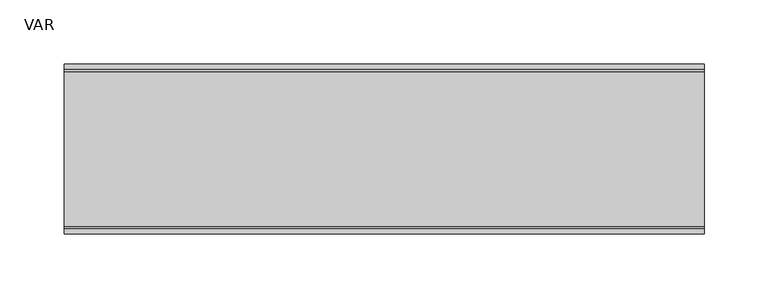
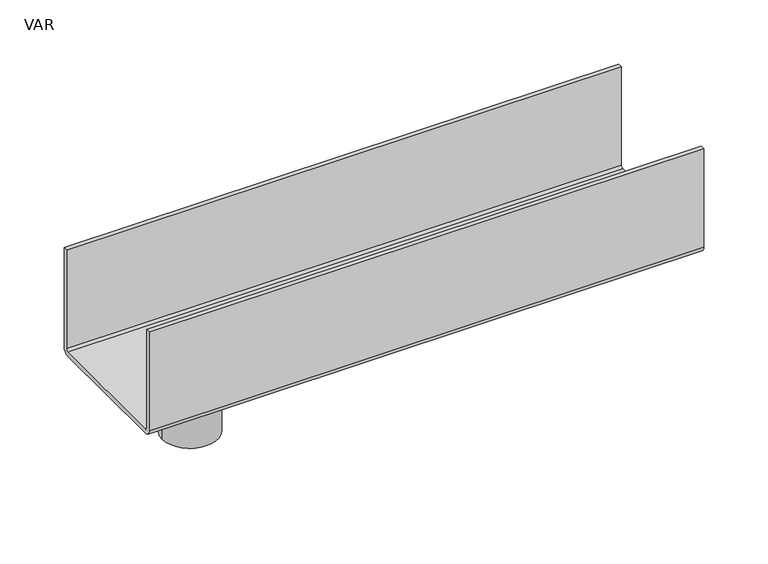
"""IFC4 building model written with IfcOpenShell, lengths in millimetres: sanitary terminal geometry, VAR."""

from ifc_helpers import new_model, si_unit, point, frame, frame_2d, origin, place, context, project, spatial, polyline, circle_curve, trimmed, segment, composite_curve, outline, extrude, source, transform, mapped, element, save


def var_4c0fbd8b(model_context):
    return source(origin(), model_context, "Body", "SweptSolid", [
        extrude(outline(composite_curve([segment(trimmed(circle_curve(frame_2d((60.5, -94.0)), 6.0), [point((66.5, -94.0))], [point((60.5, -100.0))], False, "CARTESIAN"), True, "CONTINUOUS"), segment(polyline([(60.5, -100.0), (-60.5, -100.0)]), True, "CONTINUOUS"), segment(trimmed(circle_curve(frame_2d((-60.5, -94.0)), 6.0), [point((-60.5, -100.0))], [point((-66.5, -94.0))], False, "CARTESIAN"), True, "CONTINUOUS"), segment(polyline([(-66.5, -94.0), (-66.5, 0.0), (-62.5, 0.0), (-62.5, -94.0)]), True, "CONTINUOUS"), segment(trimmed(circle_curve(frame_2d((-60.5, -94.0)), 2.0), [point((-62.5, -94.0))], [point((-60.5, -96.0))], True, "CARTESIAN"), True, "CONTINUOUS"), segment(polyline([(-60.5, -96.0), (60.5, -96.0)]), True, "CONTINUOUS"), segment(trimmed(circle_curve(frame_2d((60.5, -94.0)), 2.0), [point((60.5, -96.0))], [point((62.5, -94.0))], True, "CARTESIAN"), True, "CONTINUOUS"), segment(polyline([(62.5, -94.0), (62.5, 0.0), (66.5, 0.0), (66.5, -94.0)]), True, "CONTINUOUS")], self_intersect=False)), frame((0.0, 0.0, 0.0), z_axis=(1.0, 0.0, 0.0), x_axis=(0.0, 1.0, 0.0)), (0.0, 0.0, 1.0), 500.0),
        extrude(outline(composite_curve([segment(trimmed(circle_curve(frame_2d((75.0, 0.0)), 25.0), [point((50.0, 0.0))], [point((100.0, 0.0))], False, "CARTESIAN"), True, "CONTINUOUS"), segment(trimmed(circle_curve(frame_2d((75.0, 0.0)), 25.0), [point((100.0, 0.0))], [point((50.0, 0.0))], False, "CARTESIAN"), True, "CONTINUOUS")], self_intersect=False), holes=[composite_curve([segment(trimmed(circle_curve(frame_2d((75.0, 0.0)), 23.0), [point((52.0, 0.0))], [point((98.0, 0.0))], True, "CARTESIAN"), True, "CONTINUOUS"), segment(trimmed(circle_curve(frame_2d((75.0, 0.0)), 23.0), [point((98.0, 0.0))], [point((52.0, 0.0))], True, "CARTESIAN"), True, "CONTINUOUS")], self_intersect=False)]), frame((0.0, 0.0, -160.0), z_axis=(0.0, 0.0, 1.0), x_axis=(1.0, 0.0, 0.0)), (0.0, 0.0, 1.0), 60.0),
    ])


if __name__ == "__main__":
    model = new_model("IFC4")
    model_context = context("Model", 3, world=origin())
    ifc_project = project(units=[si_unit("LENGTHUNIT", "METRE", prefix="MILLI")], contexts=[model_context])
    site = spatial("IfcSite", under=ifc_project)
    building = spatial("IfcBuilding", under=site)
    placement = place(None, origin())
    var_shape = var_4c0fbd8b(model_context)
    element("IfcSanitaryTerminal", 1, ObjectType="VAR", at=placement, inside=building, context=model_context, shape_type="MappedRepresentation", body=[
        mapped(var_shape, transform((0.0, 0.0, 0.0), x_axis=(1.0, 0.0, 0.0), y_axis=(0.0, 1.0, 0.0), z_axis=(0.0, 0.0, 1.0))),
    ])
    save(model, "model.ifc")
